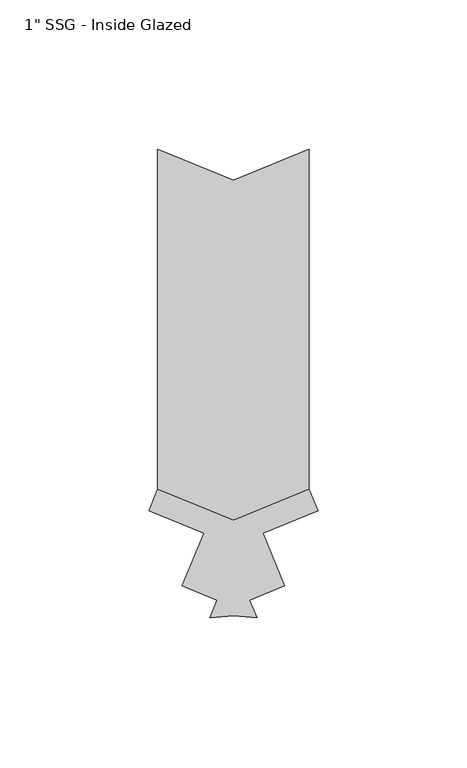
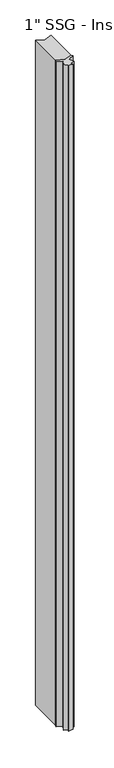
"""IFC4 building model written with IfcOpenShell, lengths in millimetres: proxy geometry."""

from ifc_helpers import new_model, si_unit, point, frame, frame_2d, origin, place, context, project, spatial, polyline, circle_curve, trimmed, segment, composite_curve, outline, extrude, source, transform, mapped, element, save


def proxy_337e0463(model_context):
    return source(origin(), model_context, "Body", "SweptSolid", [
        extrude(outline(composite_curve([segment(polyline([(-9.9379572, 31.5709034), (-28.4037877, 39.2197009), (-25.4006155, 46.47), (-0.0006155, 35.9489755), (25.3993845, 46.47), (28.3981518, 39.2303353), (9.9112432, 31.572807), (17.1905101, 13.9991022), (5.45724, 9.1390227), (7.8872798, 3.2723876)]), True, "CONTINUOUS"), segment(trimmed(circle_curve(frame_2d((-0.0129627, -39.2797934)), 43.2793478), [point((7.8872798, 3.2723876))], [point((-7.9132053, 3.2723876))], True, "CARTESIAN"), True, "CONTINUOUS"), segment(polyline([(-7.9132053, 3.2723876), (-5.5052114, 9.0857993), (-17.2384814, 13.9458789), (-9.9379572, 31.5709034)]), True, "CONTINUOUS")], self_intersect=False)), frame((0.0, 0.0, 63.5), z_axis=(0.0, 0.0, 1.0), x_axis=(1.0, 0.0, 0.0)), (0.0, 0.0, 1.0), 2324.1),
        extrude(outline(polyline([(-25.4006155, 46.47), (-25.4006155, 160.5649618), (-0.0006155, 150.0439373), (25.3993845, 160.5649618), (25.3993845, 46.47), (-0.0006155, 35.9489755), (-25.4006155, 46.47)])), frame((0.0, 0.0, 63.5), z_axis=(0.0, 0.0, 1.0), x_axis=(1.0, 0.0, 0.0)), (0.0, 0.0, 1.0), 2324.1),
    ])


if __name__ == "__main__":
    model = new_model("IFC4")
    model_context = context("Model", 3, world=origin())
    ifc_project = project(units=[si_unit("LENGTHUNIT", "METRE", prefix="MILLI")], contexts=[model_context])
    site = spatial("IfcSite", under=ifc_project)
    building = spatial("IfcBuilding", under=site)
    placement = place(None, origin())
    proxy_shape = proxy_337e0463(model_context)
    element("IfcBuildingElementProxy", 1, Name="1\" SSG - Inside Glazed", ObjectType="1\" SSG - Inside Glazed", at=placement, inside=building, context=model_context, shape_type="MappedRepresentation", body=[
        mapped(proxy_shape, transform((0.0, 0.0, 0.0), x_axis=(1.0, 0.0, 0.0), y_axis=(0.0, 1.0, 0.0), z_axis=(0.0, 0.0, 1.0))),
    ])
    save(model, "model.ifc")
